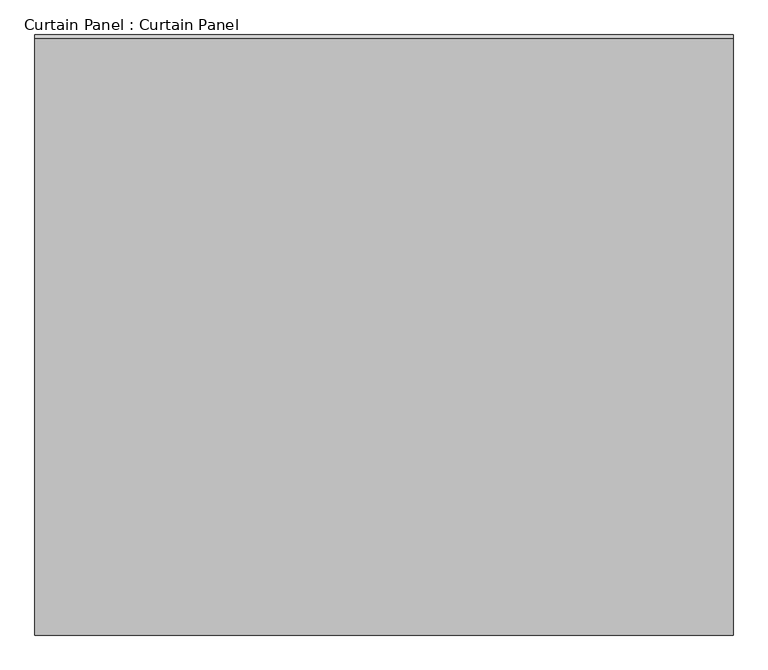
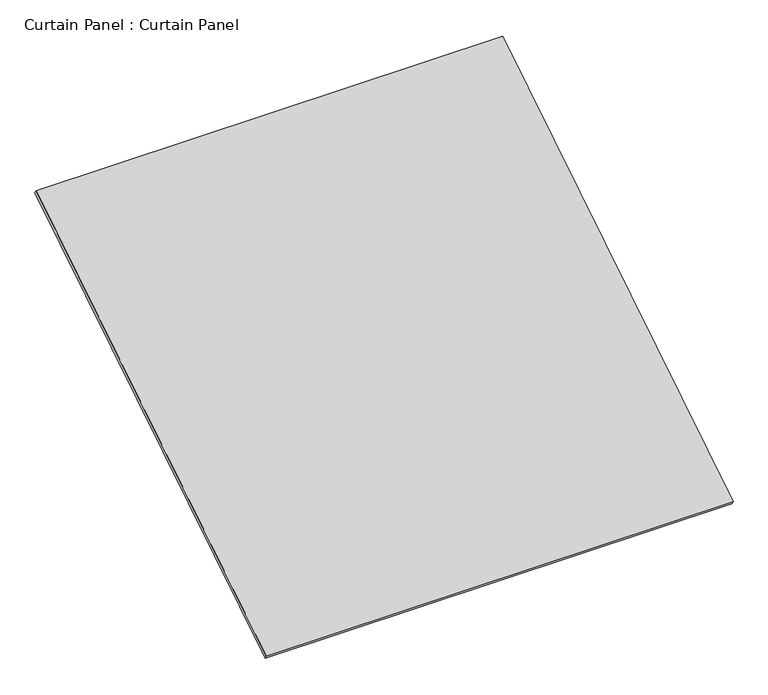
"""IFC4 building model written with IfcOpenShell, lengths in millimetres: plate geometry, Curtain Panel : Curtain Panel."""

from ifc_helpers import new_model, si_unit, frame, origin, place, context, project, spatial, polyline, outline, extrude, source, transform, mapped, element, save


def curtain_panel_curtain_panel_6c67a987(model_context):
    return source(origin(), model_context, "Body", "SweptSolid", [
        extrude(outline(polyline([(-63.5, 0.0), (-63.5, -3013.075), (-3048.0, -3013.075), (-3048.0, 0.0), (-63.5, 0.0)])), frame((-126814.6430895, -6506.9755787, 5560.7850437), z_axis=(0.0, -0.5318918435658209, 0.8468122972348432), x_axis=(-1.0, 0.0, 0.0)), (0.0, 0.0, 1.0), 25.4),
    ])


if __name__ == "__main__":
    model = new_model("IFC4")
    model_context = context("Model", 3, world=origin())
    ifc_project = project(units=[si_unit("LENGTHUNIT", "METRE", prefix="MILLI")], contexts=[model_context])
    site = spatial("IfcSite", under=ifc_project)
    building = spatial("IfcBuilding", under=site)
    placement = place(None, origin())
    curtain_panel_curtain_panel_shape = curtain_panel_curtain_panel_6c67a987(model_context)
    element("IfcPlate", 1, ObjectType="Curtain Panel : Curtain Panel", at=placement, inside=building, context=model_context, shape_type="MappedRepresentation", body=[
        mapped(curtain_panel_curtain_panel_shape, transform((0.0, 0.0, 0.0), x_axis=(1.0, 0.0, 0.0), y_axis=(0.0, 1.0, 0.0), z_axis=(0.0, 0.0, 1.0))),
    ])
    save(model, "model.ifc")
